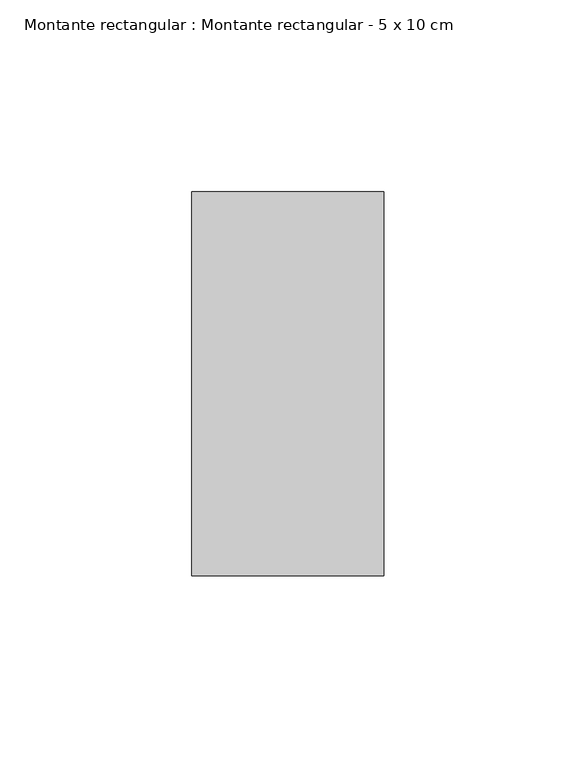
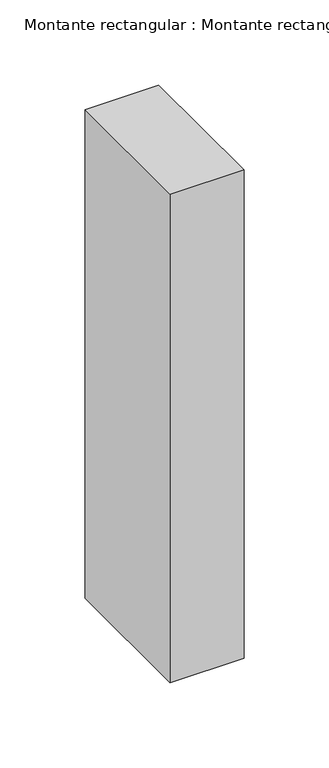
"""IFC4 building model written with IfcOpenShell, lengths in millimetres: member geometry, Montante rectangular : Montante rectangular - 5 x 10 cm."""

from ifc_helpers import new_model, si_unit, frame, origin, place, context, project, spatial, polyline, outline, extrude, source, transform, mapped, element, save


def montante_rectangular_montante_rectangular_5_x_10_cm_1175bf88(model_context):
    return source(origin(), model_context, "Body", "SweptSolid", [
        extrude(outline(polyline([(25.0, 50.0), (25.0, -50.0), (-25.0, -50.0), (-25.0, 50.0), (25.0, 50.0)])), frame((0.0, 0.0, -350.0), z_axis=(0.0, 0.0, 1.0), x_axis=(1.0, 0.0, 0.0)), (0.0, 0.0, 1.0), 350.0),
    ])


if __name__ == "__main__":
    model = new_model("IFC4")
    model_context = context("Model", 3, world=origin())
    ifc_project = project(units=[si_unit("LENGTHUNIT", "METRE", prefix="MILLI")], contexts=[model_context])
    site = spatial("IfcSite", under=ifc_project)
    building = spatial("IfcBuilding", under=site)
    placement = place(None, origin())
    montante_rectangular_montante_rectangular_5_x_10_cm_shape = montante_rectangular_montante_rectangular_5_x_10_cm_1175bf88(model_context)
    element("IfcMember", 1, ObjectType="Montante rectangular : Montante rectangular - 5 x 10 cm", at=placement, inside=building, context=model_context, shape_type="MappedRepresentation", body=[
        mapped(montante_rectangular_montante_rectangular_5_x_10_cm_shape, transform((0.0, 0.0, 0.0), x_axis=(1.0, 0.0, 0.0), y_axis=(0.0, 1.0, 0.0), z_axis=(0.0, 0.0, 1.0))),
    ])
    save(model, "model.ifc")
